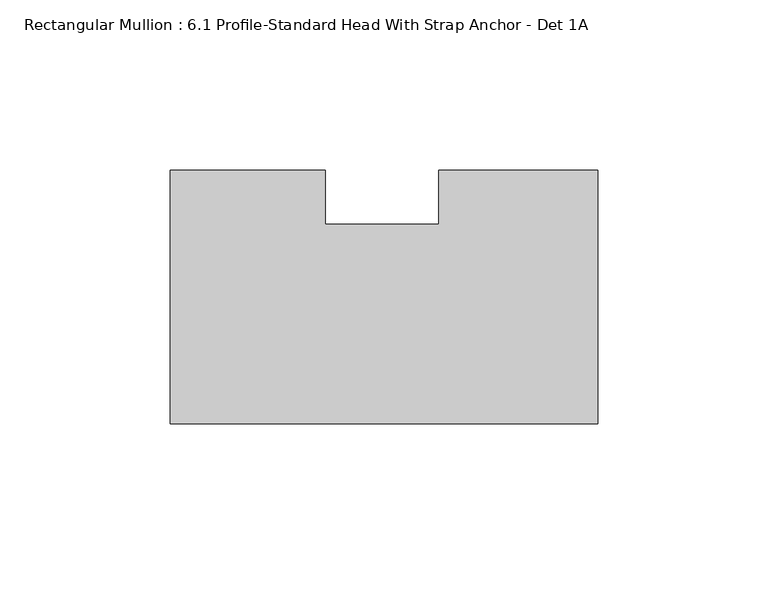
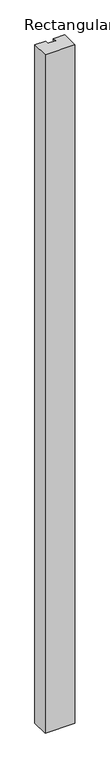
"""IFC4 building model written with IfcOpenShell, lengths in millimetres: member geometry, Rectangular Mullion : 6.1 Profile-Standard Head With Strap Anchor - Det 1A."""

from ifc_helpers import new_model, si_unit, frame, origin, place, context, project, spatial, polyline, outline, extrude, source, transform, mapped, element, save


def rectangular_mullion_6_1_profile_standard_head_with_strap_523c67db(model_context):
    return source(origin(), model_context, "Body", "SweptSolid", [
        extrude(outline(polyline([(-125.7808, 34.925), (-80.2091346, 34.925), (-80.2091346, 19.05), (-46.8497888, 19.05), (-46.8497888, 34.925), (0.0, 34.925), (0.0, -39.6875), (-125.7808, -39.6875), (-125.7808, 34.925)])), frame((0.0, 0.0, -3048.0), z_axis=(0.0, 0.0, 1.0), x_axis=(1.0, 0.0, 0.0)), (0.0, 0.0, 1.0), 3048.0),
    ])


if __name__ == "__main__":
    model = new_model("IFC4")
    model_context = context("Model", 3, world=origin())
    ifc_project = project(units=[si_unit("LENGTHUNIT", "METRE", prefix="MILLI")], contexts=[model_context])
    site = spatial("IfcSite", under=ifc_project)
    building = spatial("IfcBuilding", under=site)
    placement = place(None, origin())
    rectangular_mullion_6_1_profile_standard_head_with_strap_shape = rectangular_mullion_6_1_profile_standard_head_with_strap_523c67db(model_context)
    element("IfcMember", 1, ObjectType="Rectangular Mullion : 6.1 Profile-Standard Head With Strap Anchor - Det 1A", at=placement, inside=building, context=model_context, shape_type="MappedRepresentation", body=[
        mapped(rectangular_mullion_6_1_profile_standard_head_with_strap_shape, transform((0.0, 0.0, 0.0), x_axis=(1.0, 0.0, 0.0), y_axis=(0.0, 1.0, 0.0), z_axis=(0.0, 0.0, 1.0))),
    ])
    save(model, "model.ifc")
